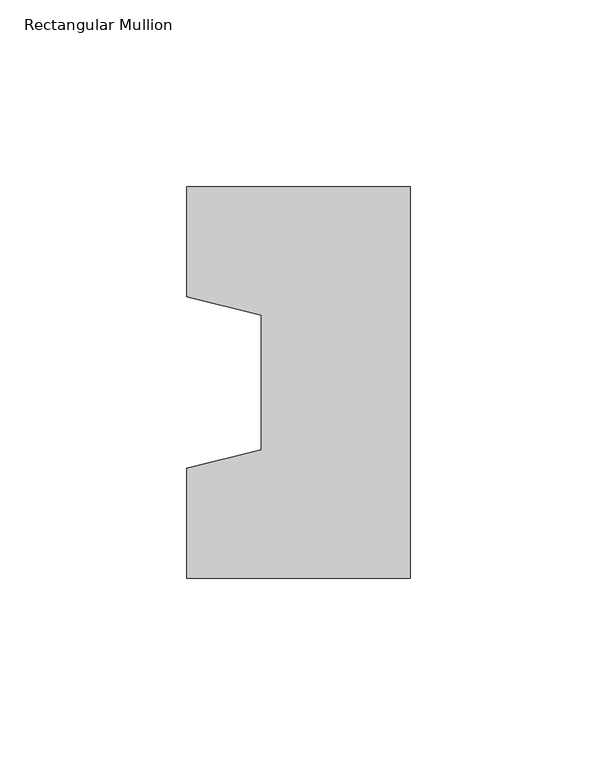
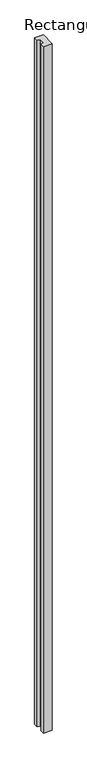
"""IFC4 building model written with IfcOpenShell, lengths in millimetres: column geometry, Rectangular Mullion."""

from ifc_helpers import new_model, si_unit, frame, origin, place, context, project, spatial, polyline, outline, extrude, source, transform, mapped, element, save


def rectangular_mullion_5cd4c377(model_context):
    return source(origin(), model_context, "Body", "SweptSolid", [
        extrude(outline(polyline([(-60.0, 52.5), (0.0, 52.5), (0.0, -52.5), (-60.0, -52.5), (-60.0, -23.0), (-40.0, -18.0), (-40.0, 18.0), (-60.0, 23.0), (-60.0, 52.5)])), frame((0.0, 0.0, -5000.0), z_axis=(0.0, 0.0, 1.0), x_axis=(1.0, 0.0, 0.0)), (0.0, 0.0, 1.0), 5000.0),
    ])


if __name__ == "__main__":
    model = new_model("IFC4")
    model_context = context("Model", 3, world=origin())
    ifc_project = project(units=[si_unit("LENGTHUNIT", "METRE", prefix="MILLI")], contexts=[model_context])
    site = spatial("IfcSite", under=ifc_project)
    building = spatial("IfcBuilding", under=site)
    placement = place(None, origin())
    rectangular_mullion_shape = rectangular_mullion_5cd4c377(model_context)
    element("IfcColumn", 1, ObjectType="Rectangular Mullion", at=placement, inside=building, context=model_context, shape_type="MappedRepresentation", body=[
        mapped(rectangular_mullion_shape, transform((0.0, 0.0, 0.0), x_axis=(1.0, 0.0, 0.0), y_axis=(0.0, 1.0, 0.0), z_axis=(0.0, 0.0, 1.0))),
    ])
    save(model, "model.ifc")
